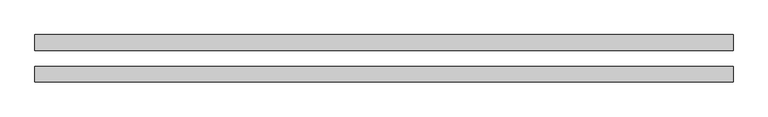
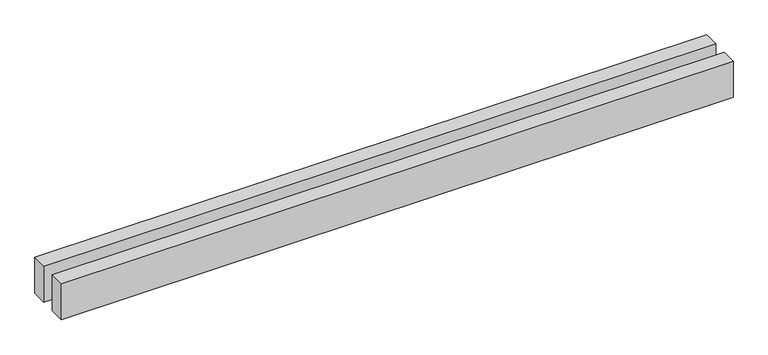
"""IFC4 building model written with IfcOpenShell, lengths in millimetres: proxy geometry."""

from ifc_helpers import new_model, si_unit, origin, origin_with_axes, place, context, project, spatial, polyline, outline, extrude, source, transform, mapped, element, save


def generic_models_f9223c04(model_context):
    return source(origin(), model_context, "Body", "SweptSolid", [
        extrude(outline(polyline([(8821.2308343, 300.0), (8821.2308343, 100.0), (0.0, 100.0), (0.0, 300.0), (8821.2308343, 300.0)])), origin_with_axes(), (0.0, 0.0, 1.0), 500.0),
        extrude(outline(polyline([(8821.2308343, -100.0), (8821.2308343, -300.0), (0.0, -300.0), (0.0, -100.0), (8821.2308343, -100.0)])), origin_with_axes(), (0.0, 0.0, 1.0), 500.0),
    ])


if __name__ == "__main__":
    model = new_model("IFC4")
    model_context = context("Model", 3, world=origin())
    ifc_project = project(units=[si_unit("LENGTHUNIT", "METRE", prefix="MILLI")], contexts=[model_context])
    site = spatial("IfcSite", under=ifc_project)
    building = spatial("IfcBuilding", under=site)
    placement = place(None, origin())
    generic_models_shape = generic_models_f9223c04(model_context)
    element("IfcBuildingElementProxy", 1, Name="Generic Models", at=placement, inside=building, context=model_context, shape_type="MappedRepresentation", body=[
        mapped(generic_models_shape, transform((0.0, 0.0, 0.0), x_axis=(1.0, 0.0, 0.0), y_axis=(0.0, 1.0, 0.0), z_axis=(0.0, 0.0, 1.0))),
    ])
    save(model, "model.ifc")
